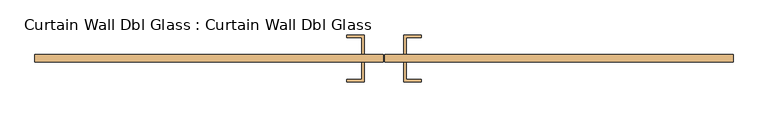
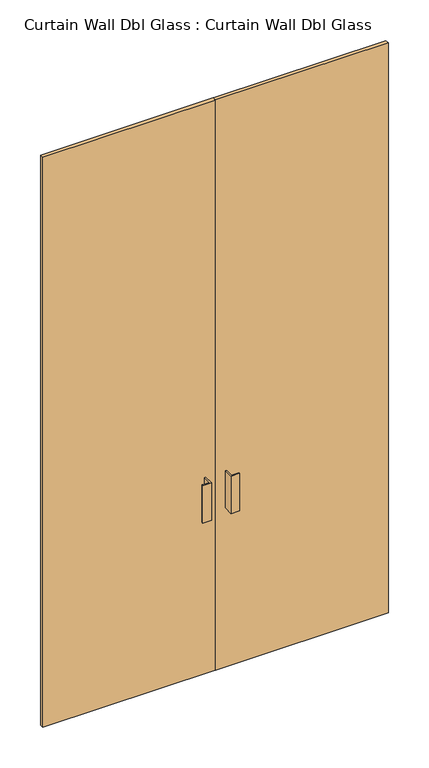
"""IFC4 building model written with IfcOpenShell, lengths in millimetres: door geometry, Curtain Wall Dbl Glass : Curtain Wall Dbl Glass."""

from ifc_helpers import new_model, si_unit, frame, origin, origin_with_axes, place, context, project, spatial, polyline, outline, extrude, source, transform, mapped, element, save


def curtain_wall_dbl_glass_curtain_wall_dbl_glass_f068e98f(model_context):
    return source(origin(), model_context, "Body", "SweptSolid", [
        extrude(outline(polyline([(-1.5875, -31.75), (-1.5875, -50.8), (-889.0, -50.8), (-889.0, -31.75), (-1.5875, -31.75)])), origin_with_axes(), (0.0, 0.0, 1.0), 3098.8),
        extrude(outline(polyline([(889.0, -31.75), (889.0, -50.8), (1.5875, -50.8), (1.5875, -31.75), (889.0, -31.75)])), origin_with_axes(), (0.0, 0.0, 1.0), 3098.8),
        extrude(outline(polyline([(-50.8, -101.6), (-95.25, -101.6), (-95.25, -95.25), (-57.15, -95.25), (-57.15, -50.8), (-50.8, -50.8), (-50.8, -101.6)])), frame((0.0, 0.0, 863.6), z_axis=(0.0, 0.0, 1.0), x_axis=(1.0, 0.0, 0.0)), (0.0, 0.0, 1.0), 203.2),
        extrude(outline(polyline([(50.8, -101.6), (50.8, -50.8), (57.15, -50.8), (57.15, -95.25), (95.25, -95.25), (95.25, -101.6), (50.8, -101.6)])), frame((0.0, 0.0, 863.6), z_axis=(0.0, 0.0, 1.0), x_axis=(1.0, 0.0, 0.0)), (0.0, 0.0, 1.0), 203.2),
        extrude(outline(polyline([(-50.8, 19.05), (-50.8, -31.75), (-57.15, -31.75), (-57.15, 12.7), (-95.25, 12.7), (-95.25, 19.05), (-50.8, 19.05)])), frame((0.0, 0.0, 863.6), z_axis=(0.0, 0.0, 1.0), x_axis=(1.0, 0.0, 0.0)), (0.0, 0.0, 1.0), 203.2),
        extrude(outline(polyline([(50.8, 19.05), (95.25, 19.05), (95.25, 12.7), (57.15, 12.7), (57.15, -31.75), (50.8, -31.75), (50.8, 19.05)])), frame((0.0, 0.0, 863.6), z_axis=(0.0, 0.0, 1.0), x_axis=(1.0, 0.0, 0.0)), (0.0, 0.0, 1.0), 203.2),
    ])


if __name__ == "__main__":
    model = new_model("IFC4")
    model_context = context("Model", 3, world=origin())
    ifc_project = project(units=[si_unit("LENGTHUNIT", "METRE", prefix="MILLI")], contexts=[model_context])
    site = spatial("IfcSite", under=ifc_project)
    building = spatial("IfcBuilding", under=site)
    placement = place(None, origin())
    curtain_wall_dbl_glass_curtain_wall_dbl_glass_shape = curtain_wall_dbl_glass_curtain_wall_dbl_glass_f068e98f(model_context)
    element("IfcDoor", 1, ObjectType="Curtain Wall Dbl Glass : Curtain Wall Dbl Glass", at=placement, inside=building, context=model_context, shape_type="MappedRepresentation", body=[
        mapped(curtain_wall_dbl_glass_curtain_wall_dbl_glass_shape, transform((0.0, 0.0, 0.0), x_axis=(1.0, 0.0, 0.0), y_axis=(0.0, 1.0, 0.0), z_axis=(0.0, 0.0, 1.0))),
    ])
    save(model, "model.ifc")
